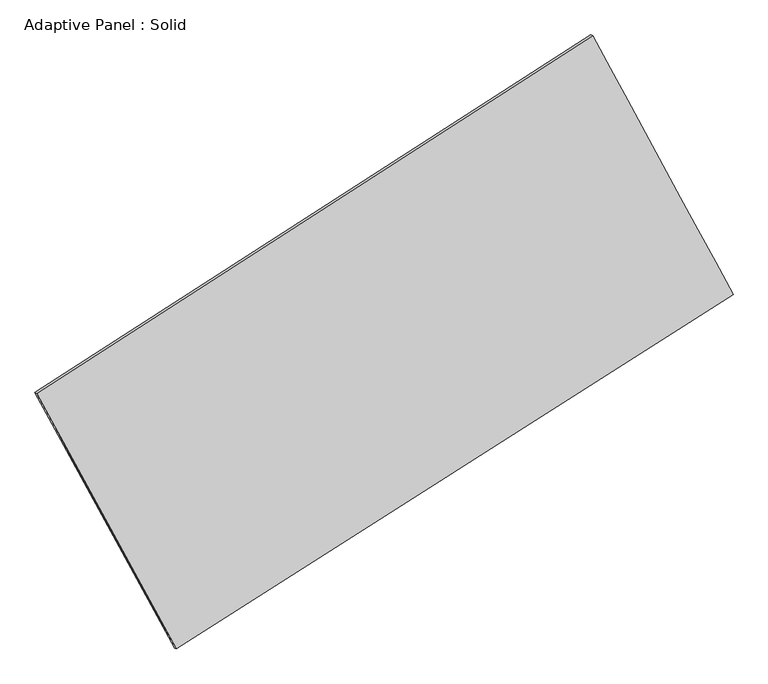
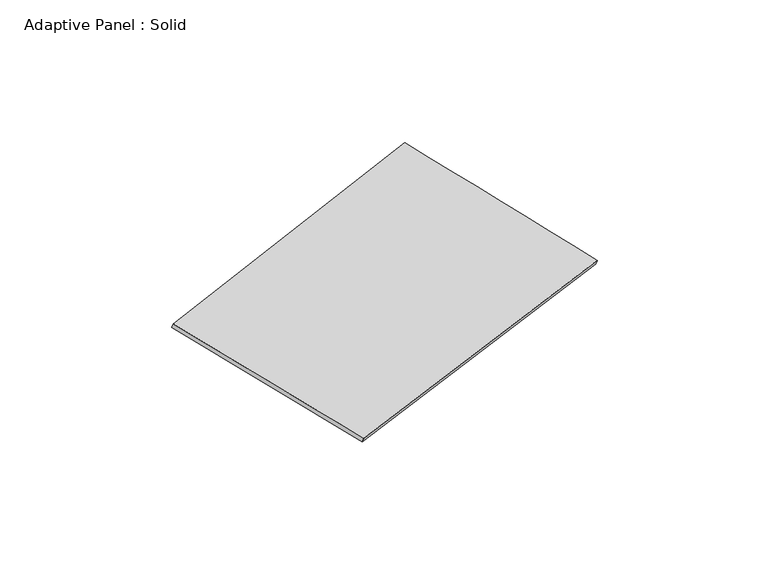
"""IFC4 building model written with IfcOpenShell, lengths in millimetres: plate geometry, Adaptive Panel : Solid."""

from ifc_helpers import new_model, si_unit, frame, origin, place, context, project, spatial, source, transform, mapped, element, save
from ifc_brep_helpers import plane_surface, spline_surface, advanced_brep


def adaptive_panel_solid_c2d17b28(model_context):
    return source(origin(), model_context, "Body", "AdvancedBrep", [
        advanced_brep(
        [(1169.2020955, 2593.6747072, 677.311747), (-3697.3066408, -539.787508, 1748.4276895), (-3682.640285, -546.1676015, 1795.8005975), (1183.8684513, 2587.2946138, 724.684655), (-2475.0333663, -2779.8488574, 1081.9413022), (-2460.3670105, -2786.2289509, 1129.3142103), (2399.8473335, 325.7130854, -22.5582185), (2414.5136893, 319.3329919, 24.8146896)],
        [
            (0, 1),
            (1, 2),
            (2, 3),
            (3, 0),
            (1, 4),
            (4, 5),
            (5, 2),
            (4, 6),
            (6, 7),
            (7, 5),
            (6, 0),
            (3, 7),
        ],
        [
            plane_surface(frame((-1264.0522726, 1026.9435996, 1212.8697182), z_axis=(-0.4811416771387026, 0.8366876203162733, 0.26164195483455693), x_axis=(-0.8267486995543366, -0.5323294279244308, 0.1819669419176503))),
            plane_surface(frame((-3086.1700036, -1659.8181827, 1415.1844959), z_axis=(-0.8369650230503922, -0.5132147912430773, 0.19000033747228243), x_axis=(0.46343364936100384, -0.8493352735953076, -0.2527030780713332))),
            plane_surface(frame((-37.5930164, -1227.067886, 529.6915419), z_axis=(0.4760638127976211, -0.839939813960476, -0.2605078790912721), x_axis=(0.8284087335596274, 0.5277410452577737, -0.18769219299791562))),
            plane_surface(frame((1784.5247145, 1459.6938963, 327.3767643), z_axis=(0.8371324007117824, 0.5129071772364585, -0.19009358542006602), x_axis=(-0.4603010364364184, 0.8482908420084914, 0.26177395443413326))),
            spline_surface(1, 1, [[(-3682.640285, -546.1676015, 1795.8005975), (1183.8684513, 2587.2946138, 724.684655)], [(-2460.3670105, -2786.2289509, 1129.3142103), (2414.5136893, 319.3329919, 24.8146896)]], [2, 2], [2, 2], [0.0, 1.0], [0.0, 1.0]),
            spline_surface(1, 1, [[(2399.8473335, 325.7130854, -22.5582185), (1169.2020955, 2593.6747072, 677.311747)], [(-2475.0333663, -2779.8488574, 1081.9413022), (-3697.3066408, -539.787508, 1748.4276895)]], [2, 2], [2, 2], [0.0, 1.0], [0.0, 1.0]),
        ],
        [
            (0, [[1, 2, 3, 4]]),
            (1, [[5, 6, 7, -2]]),
            (2, [[8, 9, 10, -6]]),
            (3, [[11, -4, 12, -9]]),
            (4, [[-3, -7, -10, -12]]),
            (5, [[-11, -8, -5, -1]]),
        ],
    ),
    ])


if __name__ == "__main__":
    model = new_model("IFC4")
    model_context = context("Model", 3, world=origin())
    ifc_project = project(units=[si_unit("LENGTHUNIT", "METRE", prefix="MILLI")], contexts=[model_context])
    site = spatial("IfcSite", under=ifc_project)
    building = spatial("IfcBuilding", under=site)
    placement = place(None, origin())
    adaptive_panel_solid_shape = adaptive_panel_solid_c2d17b28(model_context)
    element("IfcPlate", 1, ObjectType="Adaptive Panel : Solid", at=placement, inside=building, context=model_context, shape_type="MappedRepresentation", body=[
        mapped(adaptive_panel_solid_shape, transform((0.0, 0.0, 0.0), x_axis=(1.0, 0.0, 0.0), y_axis=(0.0, 1.0, 0.0), z_axis=(0.0, 0.0, 1.0))),
    ])
    save(model, "model.ifc")
